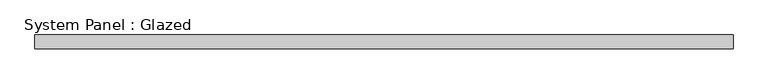
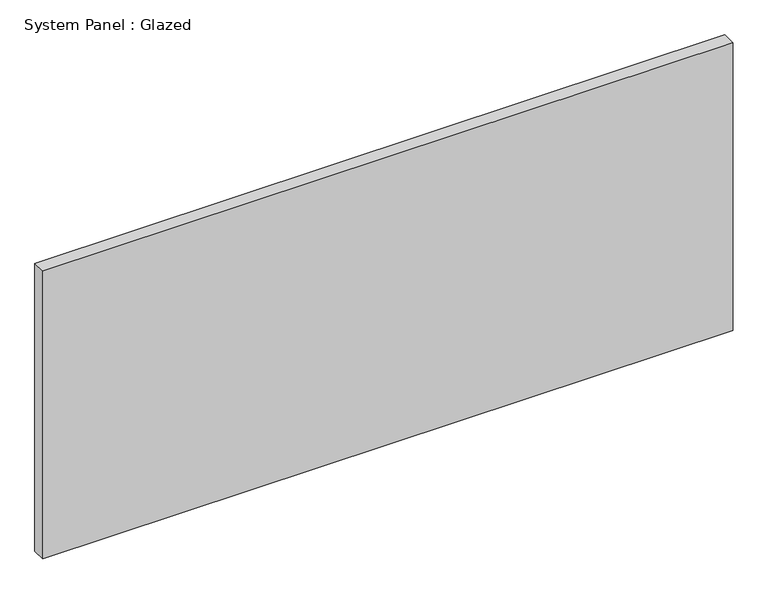
"""IFC4 building model written with IfcOpenShell, lengths in millimetres: plate geometry, System Panel : Glazed."""

from ifc_helpers import new_model, si_unit, origin, origin_with_axes, place, context, project, spatial, polyline, outline, extrude, source, transform, mapped, element, save


def system_panel_glazed_6de10876(model_context):
    return source(origin(), model_context, "Body", "SweptSolid", [
        extrude(outline(polyline([(647.7, -44.45), (-647.7, -44.45), (-647.7, -19.05), (647.7, -19.05), (647.7, -44.45)])), origin_with_axes(), (0.0, 0.0, 1.0), 571.5),
    ])


if __name__ == "__main__":
    model = new_model("IFC4")
    model_context = context("Model", 3, world=origin())
    ifc_project = project(units=[si_unit("LENGTHUNIT", "METRE", prefix="MILLI")], contexts=[model_context])
    site = spatial("IfcSite", under=ifc_project)
    building = spatial("IfcBuilding", under=site)
    placement = place(None, origin())
    system_panel_glazed_shape = system_panel_glazed_6de10876(model_context)
    element("IfcPlate", 1, ObjectType="System Panel : Glazed", at=placement, inside=building, context=model_context, shape_type="MappedRepresentation", body=[
        mapped(system_panel_glazed_shape, transform((0.0, 0.0, 0.0), x_axis=(1.0, 0.0, 0.0), y_axis=(0.0, 1.0, 0.0), z_axis=(0.0, 0.0, 1.0))),
    ])
    save(model, "model.ifc")
